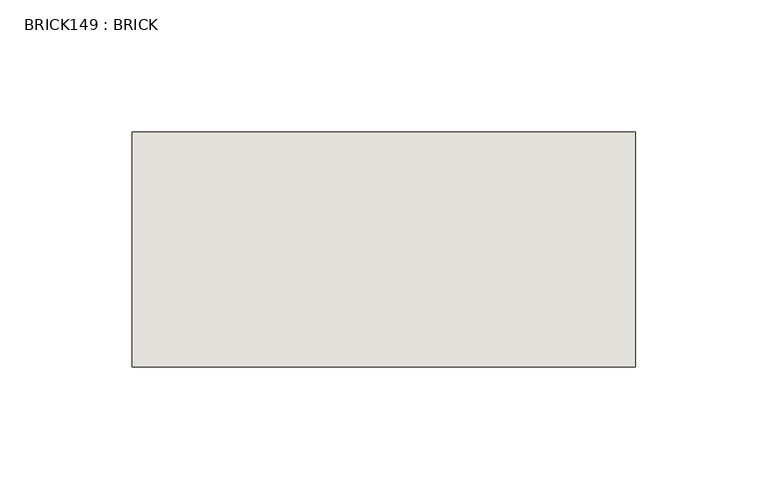
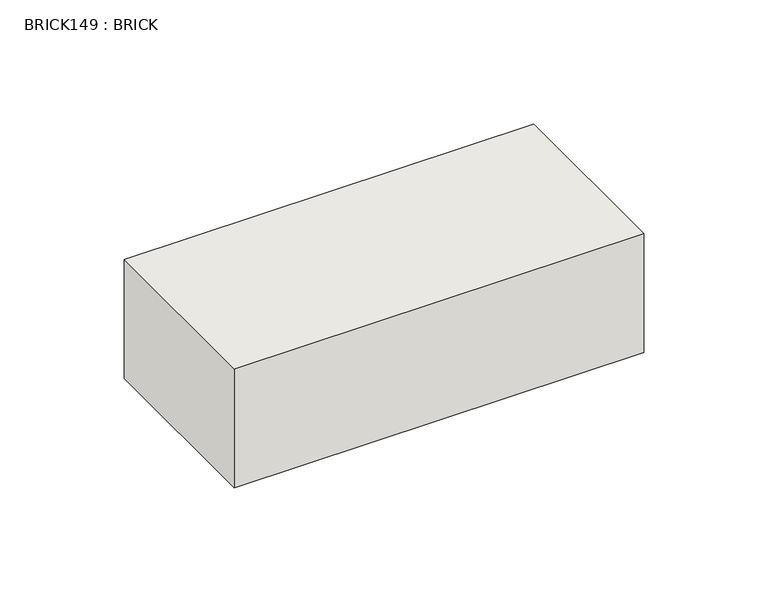
"""IFC4 building model written with IfcOpenShell, lengths in millimetres: wall geometry, BRICK149 : BRICK."""

from ifc_helpers import new_model, si_unit, frame, origin, place, context, project, spatial, polyline, outline, extrude, source, transform, mapped, element, save


def brick149_brick_e0383b7e(model_context):
    return source(origin(), model_context, "Body", "SweptSolid", [
        extrude(outline(polyline([(-181.1469289, 2586.2274125), (9.3530711, 2586.2274125), (9.3530711, 2497.3274125), (-181.1469289, 2497.3274125), (-181.1469289, 2586.2274125)])), frame((0.0, 0.0, 214.0148438), z_axis=(0.0, 0.0, 1.0), x_axis=(1.0, 0.0, 0.0)), (0.0, 0.0, 1.0), 58.4398437),
    ])


if __name__ == "__main__":
    model = new_model("IFC4")
    model_context = context("Model", 3, world=origin())
    ifc_project = project(units=[si_unit("LENGTHUNIT", "METRE", prefix="MILLI")], contexts=[model_context])
    site = spatial("IfcSite", under=ifc_project)
    building = spatial("IfcBuilding", under=site)
    placement = place(None, origin())
    brick149_brick_shape = brick149_brick_e0383b7e(model_context)
    element("IfcWall", 1, ObjectType="BRICK149 : BRICK", at=placement, inside=building, context=model_context, shape_type="MappedRepresentation", body=[
        mapped(brick149_brick_shape, transform((0.0, 0.0, 0.0), x_axis=(1.0, 0.0, 0.0), y_axis=(0.0, 1.0, 0.0), z_axis=(0.0, 0.0, 1.0))),
    ])
    save(model, "model.ifc")
